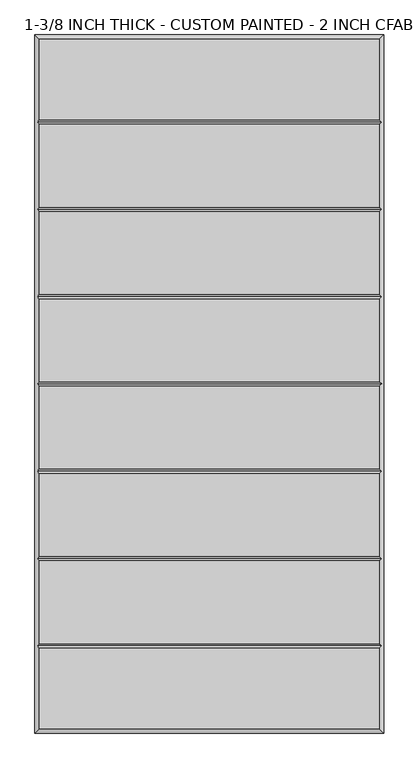
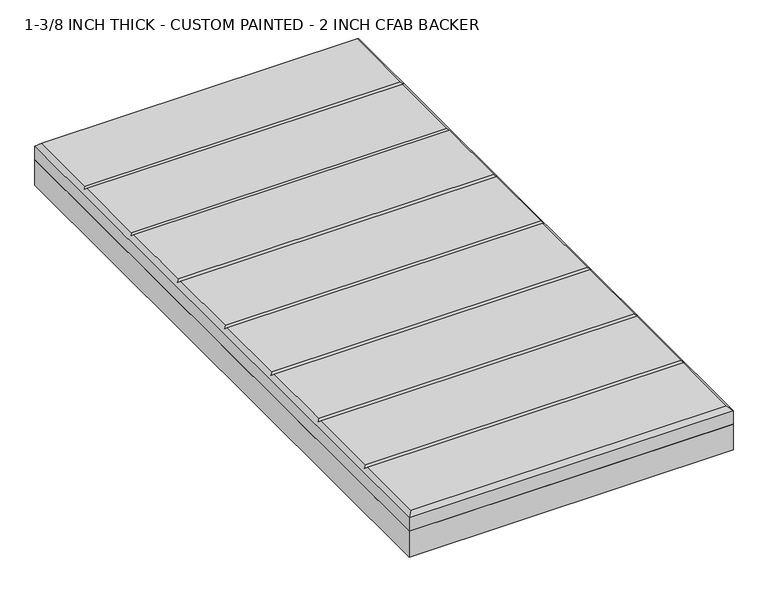
"""IFC4 building model written with IfcOpenShell, lengths in millimetres: proxy geometry, 1-3/8 INCH THICK - CUSTOM PAINTED - 2 INCH CFAB BACKER."""

from ifc_helpers import new_model, si_unit, frame, origin, place, context, project, spatial, polyline, outline, extrude, faceted_brep, source, transform, mapped, element, save


def proxy_1_3_8_inch_thick_custom_painted_2_inch_cfab_backer_fa55c38e(model_context):
    return source(origin(), model_context, "Body", "SolidModel", [
        extrude(outline(polyline([(-304.8, 609.6), (304.8, 609.6), (304.8, -609.6), (-304.8, -609.6), (-304.8, 609.6)])), frame((0.0, 0.0, -50.8), z_axis=(0.0, 0.0, 1.0), x_axis=(1.0, 0.0, 0.0)), (0.0, 0.0, 1.0), 50.8),
        faceted_brep([(296.799, 601.599, 34.925), (-296.799, 601.599, 34.925), (-296.799, 461.2005254, 34.925), (296.799, 461.2005254, 34.925), (-296.799, -601.599, 34.925), (296.799, -601.599, 34.925), (296.799, -461.2004746, 34.925), (-296.799, -461.2004746, 34.925), (296.799, 453.1995254, 34.925), (-296.799, 453.1995254, 34.925), (-296.799, 308.8005254, 34.925), (296.799, 308.8005254, 34.925), (296.799, -308.8005, 34.925), (-296.799, -308.8005, 34.925), (-296.799, -453.1994746, 34.925), (296.799, -453.1994746, 34.925), (-296.799, -300.7995, 34.925), (296.799, -300.7995, 34.925), (296.799, -156.4004746, 34.925), (-296.799, -156.4004746, 34.925), (296.799, 300.7995254, 34.925), (-296.799, 300.7995254, 34.925), (-296.799, 156.4005254, 34.925), (296.799, 156.4005254, 34.925), (296.799, 148.3995254, 34.925), (-296.799, 148.3995254, 34.925), (-296.799, 4.0005254, 34.925), (296.799, 4.0005254, 34.925), (296.799, -4.0004746, 34.925), (-296.799, -4.0004746, 34.925), (-296.799, -148.3994746, 34.925), (296.799, -148.3994746, 34.925), (-304.8, 609.6, 0.0), (304.8, 609.6, 0.0), (304.8, -609.6, 0.0), (-304.8, -609.6, 0.0), (-304.8, -609.6, 26.924), (-304.8, 609.6, 26.924), (304.8, -609.6, 26.924), (304.8, 609.6, 26.924), (-300.7995, -457.1999746, 30.9245), (-300.7995, -304.8, 30.9245), (-300.7995, -152.3999746, 30.9245), (-300.7995, 2.54e-05, 30.9245), (-300.7995, 152.4000254, 30.9245), (-300.7995, 304.8000254, 30.9245), (-300.7995, 457.2000254, 30.9245), (300.7995, 457.2000254, 30.9245), (300.7995, 304.8000254, 30.9245), (300.7995, 152.4000254, 30.9245), (300.7995, 2.54e-05, 30.9245), (300.7995, -152.3999746, 30.9245), (300.7995, -304.8, 30.9245), (300.7995, -457.1999746, 30.9245)], [[[0, 1, 2, 3]], [[4, 5, 6, 7]], [[8, 9, 10, 11]], [[12, 13, 14, 15]], [[16, 17, 18, 19]], [[20, 21, 22, 23]], [[24, 25, 26, 27]], [[28, 29, 30, 31]], [[32, 33, 34, 35]], [[32, 35, 36, 37]], [[35, 34, 38, 36]], [[34, 33, 39, 38]], [[33, 32, 37, 39]], [[37, 1, 0, 39]], [[1, 37, 36, 4, 7, 40, 14, 13, 41, 16, 19, 42, 30, 29, 43, 26, 25, 44, 22, 21, 45, 10, 9, 46, 2]], [[4, 36, 38, 5]], [[39, 0, 3, 47, 8, 11, 48, 20, 23, 49, 24, 27, 50, 28, 31, 51, 18, 17, 52, 12, 15, 53, 6, 5, 38]], [[47, 46, 9, 8]], [[46, 47, 3, 2]], [[52, 41, 13, 12]], [[41, 52, 17, 16]], [[53, 40, 7, 6]], [[40, 53, 15, 14]], [[48, 45, 21, 20]], [[45, 48, 11, 10]], [[49, 44, 25, 24]], [[44, 49, 23, 22]], [[50, 43, 29, 28]], [[43, 50, 27, 26]], [[51, 42, 19, 18]], [[42, 51, 31, 30]]]),
    ])


if __name__ == "__main__":
    model = new_model("IFC4")
    model_context = context("Model", 3, world=origin())
    ifc_project = project(units=[si_unit("LENGTHUNIT", "METRE", prefix="MILLI")], contexts=[model_context])
    site = spatial("IfcSite", under=ifc_project)
    building = spatial("IfcBuilding", under=site)
    placement = place(None, origin())
    proxy_1_3_8_inch_thick_custom_painted_2_inch_cfab_backer_shape = proxy_1_3_8_inch_thick_custom_painted_2_inch_cfab_backer_fa55c38e(model_context)
    element("IfcBuildingElementProxy", 1, Name="1-3/8 INCH THICK - CUSTOM PAINTED - 2 INCH CFAB BACKER", ObjectType="1-3/8 INCH THICK - CUSTOM PAINTED - 2 INCH CFAB BACKER", at=placement, inside=building, context=model_context, shape_type="MappedRepresentation", body=[
        mapped(proxy_1_3_8_inch_thick_custom_painted_2_inch_cfab_backer_shape, transform((0.0, 0.0, 0.0), x_axis=(1.0, 0.0, 0.0), y_axis=(0.0, 1.0, 0.0), z_axis=(0.0, 0.0, 1.0))),
    ])
    save(model, "model.ifc")
